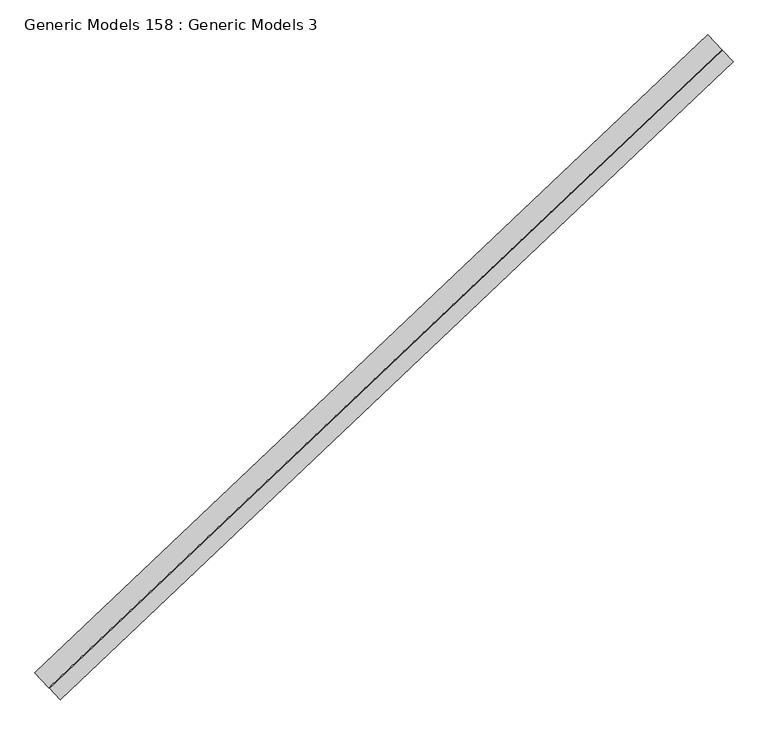
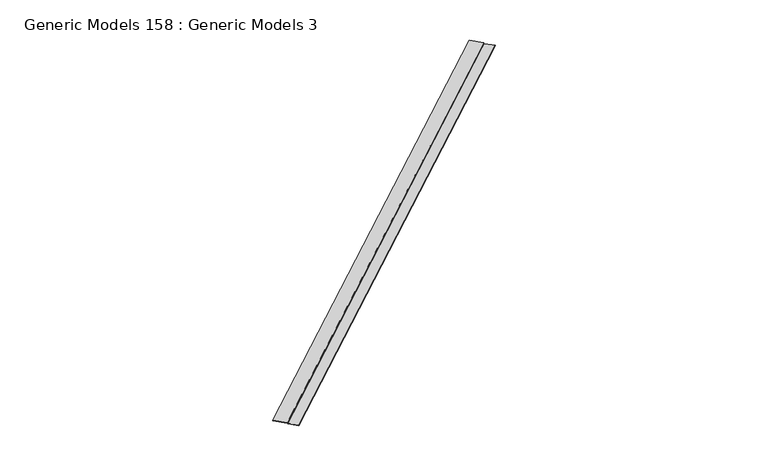
"""IFC4 building model written with IfcOpenShell, lengths in millimetres: proxy geometry, Generic Models 158 : Generic Models 3."""

from ifc_helpers import new_model, si_unit, frame, origin, place, context, project, spatial, polyline, outline, extrude, source, transform, mapped, element, save


def generic_models_158_generic_models_3_a14dd638(model_context):
    return source(origin(), model_context, "Body", "SweptSolid", [
        extrude(outline(polyline([(0.0, 0.0), (69.9613375, -69.9613375), (68.8388054, -71.0838695), (-0.657564, -1.5875), (-7.8760304, -1.5875), (-61.4946377, 52.0311073), (-60.3721057, 53.1536393), (-7.2184664, 0.0), (0.0, 0.0)])), frame((96838.2259698, 60381.3189184, 18708.5309816), z_axis=(0.7253743710122779, 0.6883545756937643, 0.0), x_axis=(-0.4867401883341092, 0.512917136641982, 0.7071067811861702)), (0.0, 0.0, 1.0), 4530.725),
    ])


if __name__ == "__main__":
    model = new_model("IFC4")
    model_context = context("Model", 3, world=origin())
    ifc_project = project(units=[si_unit("LENGTHUNIT", "METRE", prefix="MILLI")], contexts=[model_context])
    site = spatial("IfcSite", under=ifc_project)
    building = spatial("IfcBuilding", under=site)
    placement = place(None, origin())
    generic_models_158_generic_models_3_shape = generic_models_158_generic_models_3_a14dd638(model_context)
    element("IfcBuildingElementProxy", 1, Name="Generic Models 158 : Generic Models 3", ObjectType="Generic Models 158 : Generic Models 3", at=placement, inside=building, context=model_context, shape_type="MappedRepresentation", body=[
        mapped(generic_models_158_generic_models_3_shape, transform((0.0, 0.0, 0.0), x_axis=(1.0, 0.0, 0.0), y_axis=(0.0, 1.0, 0.0), z_axis=(0.0, 0.0, 1.0))),
    ])
    save(model, "model.ifc")
